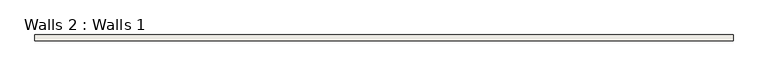
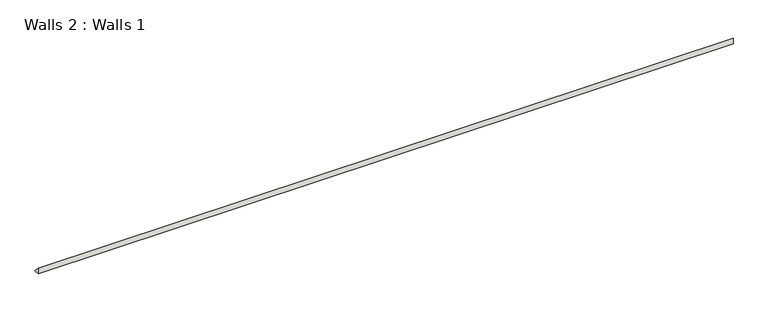
"""IFC4 building model written with IfcOpenShell, lengths in millimetres: wall geometry, Walls 2 : Walls 1."""

from ifc_helpers import new_model, si_unit, frame, origin, place, context, project, spatial, polyline, outline, extrude, source, transform, mapped, element, save


def walls_2_walls_1_f3b64b54(model_context):
    return source(origin(), model_context, "Body", "SweptSolid", [
        extrude(outline(polyline([(5111.957882, 19.05), (5131.007882, 0.0), (5111.957882, 0.0), (5111.957882, 19.05)])), frame((-2955.2207489, 0.0, 0.0), z_axis=(1.0, 0.0, 0.0), x_axis=(0.0, 1.0, 0.0)), (0.0, 0.0, 1.0), 2260.6),
    ])


if __name__ == "__main__":
    model = new_model("IFC4")
    model_context = context("Model", 3, world=origin())
    ifc_project = project(units=[si_unit("LENGTHUNIT", "METRE", prefix="MILLI")], contexts=[model_context])
    site = spatial("IfcSite", under=ifc_project)
    building = spatial("IfcBuilding", under=site)
    placement = place(None, origin())
    walls_2_walls_1_shape = walls_2_walls_1_f3b64b54(model_context)
    element("IfcWall", 1, ObjectType="Walls 2 : Walls 1", at=placement, inside=building, context=model_context, shape_type="MappedRepresentation", body=[
        mapped(walls_2_walls_1_shape, transform((0.0, 0.0, 0.0), x_axis=(1.0, 0.0, 0.0), y_axis=(0.0, 1.0, 0.0), z_axis=(0.0, 0.0, 1.0))),
    ])
    save(model, "model.ifc")
